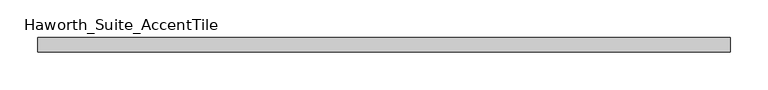
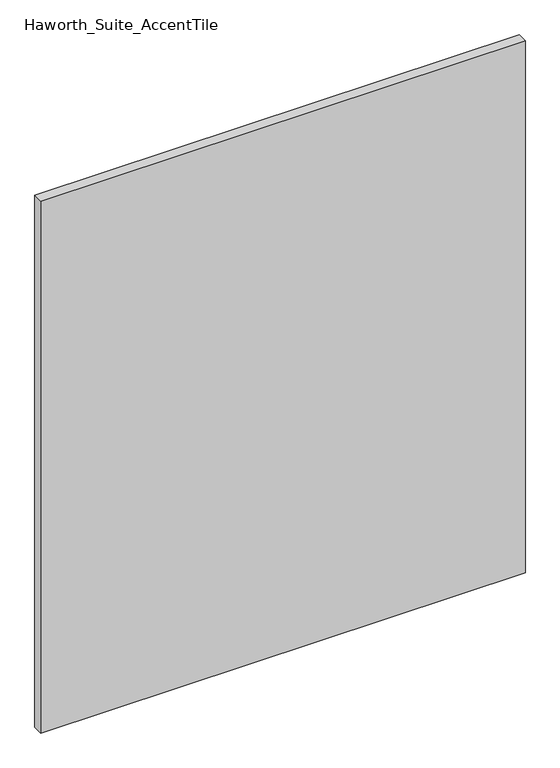
"""IFC4 building model written with IfcOpenShell, lengths in millimetres: furniture geometry, Haworth_Suite_AccentTile."""

from ifc_helpers import new_model, si_unit, frame, origin, place, context, project, spatial, polyline, outline, extrude, source, transform, mapped, element, save


def haworth_suite_accenttile_be80d0a4(model_context):
    return source(origin(), model_context, "Body", "SweptSolid", [
        extrude(outline(polyline([(444.5, -12.7), (444.5, -31.75), (-469.9, -31.75), (-469.9, -12.7), (444.5, -12.7)])), frame((0.0, 0.0, 590.55), z_axis=(0.0, 0.0, 1.0), x_axis=(1.0, 0.0, 0.0)), (0.0, 0.0, 1.0), 1060.45),
    ])


if __name__ == "__main__":
    model = new_model("IFC4")
    model_context = context("Model", 3, world=origin())
    ifc_project = project(units=[si_unit("LENGTHUNIT", "METRE", prefix="MILLI")], contexts=[model_context])
    site = spatial("IfcSite", under=ifc_project)
    building = spatial("IfcBuilding", under=site)
    placement = place(None, origin())
    haworth_suite_accenttile_shape = haworth_suite_accenttile_be80d0a4(model_context)
    element("IfcFurniture", 1, ObjectType="Haworth_Suite_AccentTile", at=placement, inside=building, context=model_context, shape_type="MappedRepresentation", body=[
        mapped(haworth_suite_accenttile_shape, transform((0.0, 0.0, 0.0), x_axis=(1.0, 0.0, 0.0), y_axis=(0.0, 1.0, 0.0), z_axis=(0.0, 0.0, 1.0))),
    ])
    save(model, "model.ifc")
